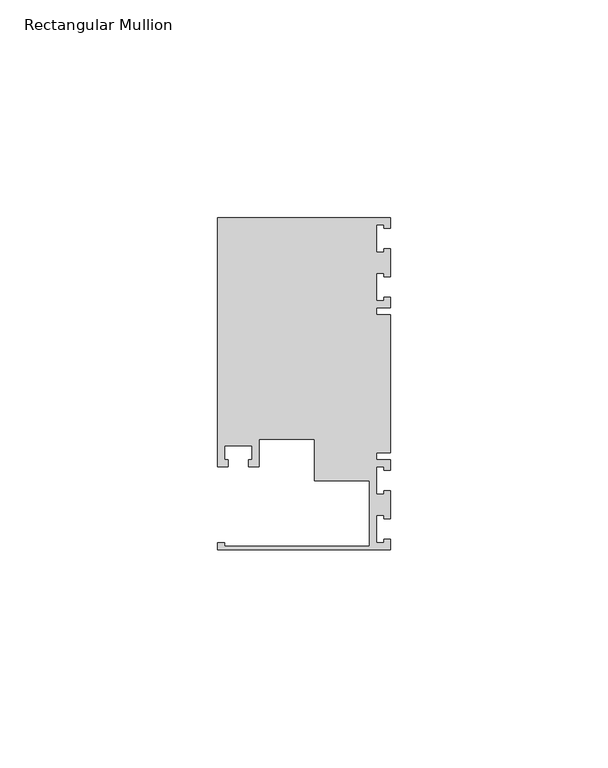
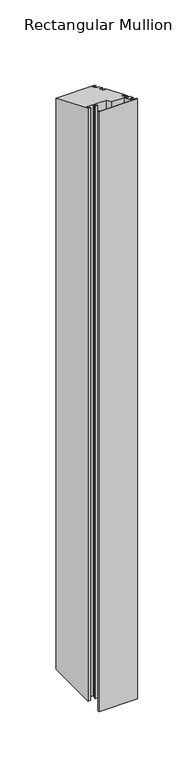
"""IFC4 building model written with IfcOpenShell, lengths in millimetres: member geometry, Rectangular Mullion."""

from ifc_helpers import new_model, si_unit, origin, place, context, project, spatial, faceted_brep, source, transform, mapped, element, save


def rectangular_mullion_48f75e71(model_context):
    return source(origin(), model_context, "Body", "Brep", [
        faceted_brep([(0.0, -38.1, -635.0), (-39.6875, -38.1, -635.0), (-39.6875, -36.5125, -635.0), (-38.1, -36.5125, -635.0), (-38.1, -37.30625, -635.0), (-4.8585733, -37.30625, -635.0), (-4.8585733, -22.225, -635.0), (-17.4625, -22.225, -635.0), (-17.4625, -12.6999969, -635.0), (-30.1625, -12.6999969, -635.0), (-30.1625, -19.05, -635.0), (-32.54375, -19.05, -635.0), (-32.54375, -17.4625, -635.0), (-31.75, -17.4625, -635.0), (-31.75, -14.2875, -635.0), (-38.1, -14.2875, -635.0), (-38.1, -17.4625, -635.0), (-37.30625, -17.4625, -635.0), (-37.30625, -19.05, -635.0), (-39.6875, -19.05, -635.0), (-39.6875, 38.1, -635.0), (0.0, 38.1, -635.0), (0.0, 35.71875, -635.0), (-1.4999946, 35.71875, -635.0), (-1.4999946, 36.5125, -635.0), (-3.175, 36.5125, -635.0), (-3.175, 30.1625, -635.0), (-1.4999946, 30.1625, -635.0), (-1.4999946, 30.95625, -635.0), (0.0, 30.95625, -635.0), (0.0, 24.60625, -635.0), (-1.4999946, 24.60625, -635.0), (-1.4999946, 25.4, -635.0), (-3.175, 25.4, -635.0), (-3.175, 19.05, -635.0), (-1.4999946, 19.05, -635.0), (-1.4999946, 19.84375, -635.0), (0.0, 19.84375, -635.0), (0.0, 17.4625, -635.0), (-3.175, 17.4625, -635.0), (-3.175, 15.875, -635.0), (0.0, 15.875, -635.0), (0.0, -15.875, -635.0), (-3.175, -15.875, -635.0), (-3.175, -17.4625, -635.0), (0.0, -17.4625, -635.0), (0.0, -19.84375, -635.0), (-1.4999946, -19.84375, -635.0), (-1.4999946, -19.05, -635.0), (-3.175, -19.05, -635.0), (-3.175, -25.4, -635.0), (-1.4999946, -25.4, -635.0), (-1.4999946, -24.60625, -635.0), (0.0, -24.60625, -635.0), (0.0, -30.95625, -635.0), (-1.4999946, -30.95625, -635.0), (-1.4999946, -30.1625, -635.0), (-3.175, -30.1625, -635.0), (-3.175, -36.5125, -635.0), (-1.4999946, -36.5125, -635.0), (-1.4999946, -35.71875, -635.0), (0.0, -35.71875, -635.0), (0.0, -35.71875, 14.7951907), (0.0, -38.1, 15.7815367), (-1.4999946, -35.71875, 14.7951907), (-1.4999946, -36.5125, 15.1239727), (-3.175, -36.5125, 15.1239727), (-3.175, -30.1625, 12.4937166), (-1.4999946, -30.1625, 12.4937166), (-1.4999946, -30.95625, 12.8224986), (0.0, -30.95625, 12.8224986), (0.0, -24.60625, 10.1922425), (-1.4999946, -24.60625, 10.1922425), (-1.4999946, -25.4, 10.5210245), (-3.175, -25.4, 10.5210245), (-3.175, -19.05, 7.8907684), (-1.4999946, -19.05, 7.8907684), (-1.4999946, -19.84375, 8.2195504), (0.0, -19.84375, 8.2195504), (0.0, -17.4625, 7.2332043), (-3.175, -17.4625, 7.2332043), (-3.175, -15.875, 6.5756403), (0.0, -15.875, 6.5756403), (0.0, 15.875, -6.5756403), (-3.175, 15.875, -6.5756403), (-3.175, 17.4625, -7.2332043), (0.0, 17.4625, -7.2332043), (0.0, 19.84375, -8.2195504), (-1.4999946, 19.84375, -8.2195504), (-1.4999946, 19.05, -7.8907684), (-3.175, 19.05, -7.8907684), (-3.175, 25.4, -10.5210245), (-1.4999946, 25.4, -10.5210245), (-1.4999946, 24.60625, -10.1922425), (0.0, 24.60625, -10.1922425), (0.0, 30.95625, -12.8224986), (-1.4999946, 30.95625, -12.8224986), (-1.4999946, 30.1625, -12.4937166), (-3.175, 30.1625, -12.4937166), (-3.175, 36.5125, -15.1239727), (-1.4999946, 36.5125, -15.1239727), (-1.4999946, 35.71875, -14.7951907), (0.0, 35.71875, -14.7951907), (0.0, 38.1, -15.7815367), (-39.6875, 38.1, -15.7815367), (-39.6875, -19.05, 7.8907684), (-37.30625, -19.05, 7.8907684), (-37.30625, -17.4625, 7.2332043), (-38.1, -17.4625, 7.2332043), (-38.1, -14.2875, 5.9180763), (-31.75, -14.2875, 5.9180763), (-31.75, -17.4625, 7.2332043), (-32.54375, -17.4625, 7.2332043), (-32.54375, -19.05, 7.8907684), (-30.1625, -19.05, 7.8907684), (-30.1625, -12.6999969, 5.260511), (-17.4625, -12.6999969, 5.260511), (-17.4625, -22.225, 9.2058964), (-4.8585733, -22.225, 9.2058964), (-4.8585733, -37.30625, 15.4527547), (-38.1, -37.30625, 15.4527547), (-38.1, -36.5125, 15.1239727), (-39.6875, -36.5125, 15.1239727), (-39.6875, -38.1, 15.7815367)], [[[0, 1, 2, 3, 4, 5, 6, 7, 8, 9, 10, 11, 12, 13, 14, 15, 16, 17, 18, 19, 20, 21, 22, 23, 24, 25, 26, 27, 28, 29, 30, 31, 32, 33, 34, 35, 36, 37, 38, 39, 40, 41, 42, 43, 44, 45, 46, 47, 48, 49, 50, 51, 52, 53, 54, 55, 56, 57, 58, 59, 60, 61]], [[62, 63, 0, 61]], [[64, 62, 61, 60]], [[65, 64, 60, 59]], [[66, 65, 59, 58]], [[67, 66, 58, 57]], [[68, 67, 57, 56]], [[69, 68, 56, 55]], [[70, 69, 55, 54]], [[71, 70, 54, 53]], [[72, 71, 53, 52]], [[73, 72, 52, 51]], [[74, 73, 51, 50]], [[75, 74, 50, 49]], [[76, 75, 49, 48]], [[77, 76, 48, 47]], [[78, 77, 47, 46]], [[79, 78, 46, 45]], [[80, 79, 45, 44]], [[81, 80, 44, 43]], [[82, 81, 43, 42]], [[83, 82, 42, 41]], [[84, 83, 41, 40]], [[85, 84, 40, 39]], [[86, 85, 39, 38]], [[87, 86, 38, 37]], [[88, 87, 37, 36]], [[89, 88, 36, 35]], [[90, 89, 35, 34]], [[91, 90, 34, 33]], [[92, 91, 33, 32]], [[93, 92, 32, 31]], [[94, 93, 31, 30]], [[95, 94, 30, 29]], [[96, 95, 29, 28]], [[97, 96, 28, 27]], [[98, 97, 27, 26]], [[99, 98, 26, 25]], [[100, 99, 25, 24]], [[101, 100, 24, 23]], [[102, 101, 23, 22]], [[103, 102, 22, 21]], [[104, 103, 21, 20]], [[105, 104, 20, 19]], [[106, 105, 19, 18]], [[107, 106, 18, 17]], [[108, 107, 17, 16]], [[109, 108, 16, 15]], [[110, 109, 15, 14]], [[111, 110, 14, 13]], [[112, 111, 13, 12]], [[113, 112, 12, 11]], [[114, 113, 11, 10]], [[115, 114, 10, 9]], [[116, 115, 9, 8]], [[117, 116, 8, 7]], [[118, 117, 7, 6]], [[119, 118, 6, 5]], [[120, 119, 5, 4]], [[121, 120, 4, 3]], [[122, 121, 3, 2]], [[123, 122, 2, 1]], [[63, 123, 1, 0]], [[63, 62, 64, 65, 66, 67, 68, 69, 70, 71, 72, 73, 74, 75, 76, 77, 78, 79, 80, 81, 82, 83, 84, 85, 86, 87, 88, 89, 90, 91, 92, 93, 94, 95, 96, 97, 98, 99, 100, 101, 102, 103, 104, 105, 106, 107, 108, 109, 110, 111, 112, 113, 114, 115, 116, 117, 118, 119, 120, 121, 122, 123]]]),
    ])


if __name__ == "__main__":
    model = new_model("IFC4")
    model_context = context("Model", 3, world=origin())
    ifc_project = project(units=[si_unit("LENGTHUNIT", "METRE", prefix="MILLI")], contexts=[model_context])
    site = spatial("IfcSite", under=ifc_project)
    building = spatial("IfcBuilding", under=site)
    placement = place(None, origin())
    rectangular_mullion_shape = rectangular_mullion_48f75e71(model_context)
    element("IfcMember", 1, ObjectType="Rectangular Mullion", at=placement, inside=building, context=model_context, shape_type="MappedRepresentation", body=[
        mapped(rectangular_mullion_shape, transform((0.0, 0.0, 0.0), x_axis=(1.0, 0.0, 0.0), y_axis=(0.0, 1.0, 0.0), z_axis=(0.0, 0.0, 1.0))),
    ])
    save(model, "model.ifc")
